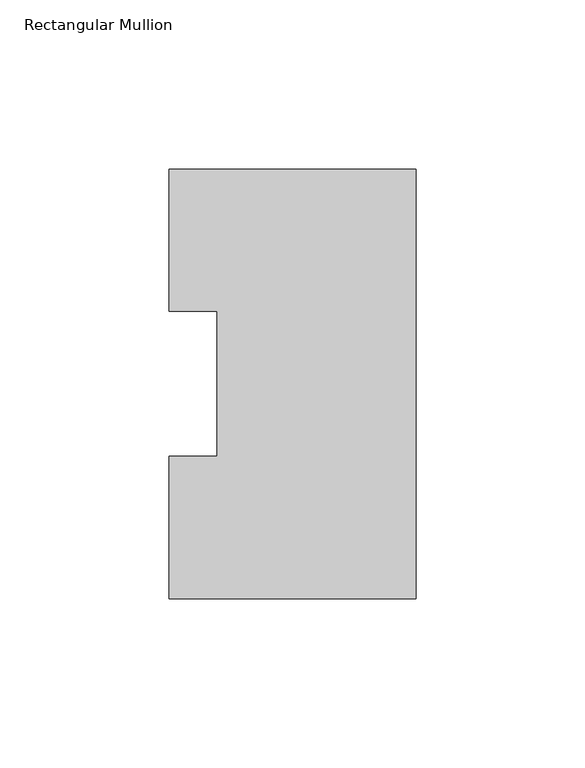
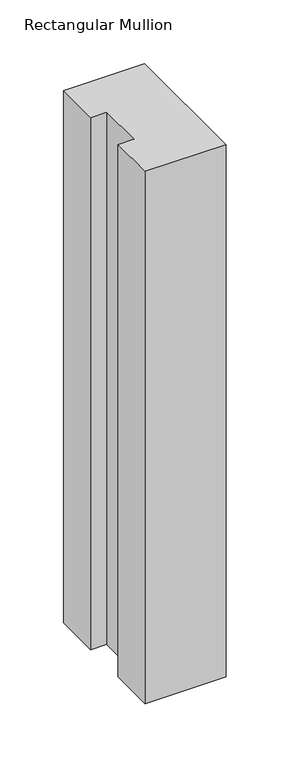
"""IFC4 building model written with IfcOpenShell, lengths in millimetres: member geometry, Rectangular Mullion."""

from ifc_helpers import new_model, si_unit, frame, origin, place, context, project, spatial, polyline, outline, extrude, source, transform, mapped, element, save


def rectangular_mullion_6790a8c6(model_context):
    return source(origin(), model_context, "Body", "SweptSolid", [
        extrude(outline(polyline([(0.0, 126.7086937), (0.0, -0.2913063), (-73.025, -0.2913063), (-73.025, 41.7837937), (-58.7375, 41.7837937), (-58.7375, 84.6335938), (-73.025, 84.6335938), (-73.025, 126.7086937), (0.0, 126.7086937)])), frame((0.0, 0.0, -508.152387), z_axis=(0.0, 0.0, 1.0), x_axis=(1.0, 0.0, 0.0)), (0.0, 0.0, 1.0), 508.152387),
    ])


if __name__ == "__main__":
    model = new_model("IFC4")
    model_context = context("Model", 3, world=origin())
    ifc_project = project(units=[si_unit("LENGTHUNIT", "METRE", prefix="MILLI")], contexts=[model_context])
    site = spatial("IfcSite", under=ifc_project)
    building = spatial("IfcBuilding", under=site)
    placement = place(None, origin())
    rectangular_mullion_shape = rectangular_mullion_6790a8c6(model_context)
    element("IfcMember", 1, ObjectType="Rectangular Mullion", at=placement, inside=building, context=model_context, shape_type="MappedRepresentation", body=[
        mapped(rectangular_mullion_shape, transform((0.0, 0.0, 0.0), x_axis=(1.0, 0.0, 0.0), y_axis=(0.0, 1.0, 0.0), z_axis=(0.0, 0.0, 1.0))),
    ])
    save(model, "model.ifc")
